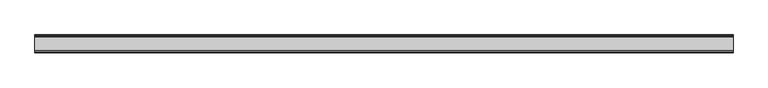
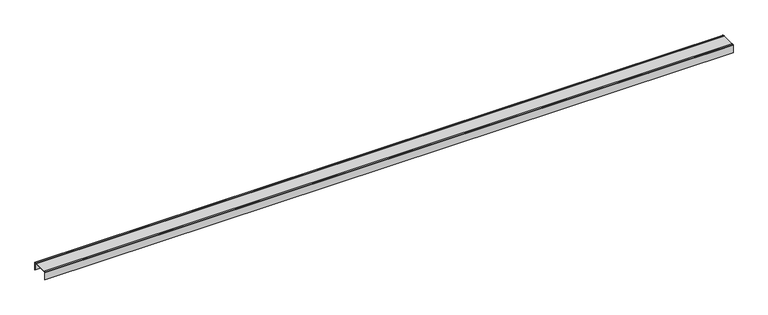
"""IFC4 building model written with IfcOpenShell, lengths in millimetres: proxy geometry."""

from ifc_helpers import new_model, si_unit, point, frame, frame_2d, origin, place, context, project, spatial, polyline, circle_curve, trimmed, segment, composite_curve, outline, extrude, source, transform, mapped, element, save


def generic_models_b358a26d(model_context):
    return source(origin(), model_context, "Body", "SweptSolid", [
        extrude(outline(composite_curve([segment(polyline([(-37.25, -1.2), (-37.25, -35.0), (-38.05, -35.0), (-38.05, -1.2)]), True, "CONTINUOUS"), segment(trimmed(circle_curve(frame_2d((-36.75, -1.2)), 1.3), [point((-38.05, -1.2))], [point((-37.25, 0.0))], False, "CARTESIAN"), True, "CONTINUOUS"), segment(polyline([(-37.25, 0.0), (-29.8683346, 0.0), (-28.6683346, -0.8), (28.6683346, -0.8), (29.8683346, 0.0), (37.25, 0.0)]), True, "CONTINUOUS"), segment(trimmed(circle_curve(frame_2d((36.75, -1.2)), 1.3), [point((37.25, 0.0))], [point((38.05, -1.2))], False, "CARTESIAN"), True, "CONTINUOUS"), segment(polyline([(38.05, -1.2), (38.05, -35.0), (37.25, -35.0), (37.25, -1.2)]), True, "CONTINUOUS"), segment(trimmed(circle_curve(frame_2d((36.65, -1.2)), 0.6), [point((37.25, -1.2))], [point((36.65, -0.6))], True, "CARTESIAN"), True, "CONTINUOUS"), segment(polyline([(36.65, -0.6), (30.05, -0.6), (28.85, -1.4), (-28.85, -1.4), (-30.05, -0.6), (-36.65, -0.6)]), True, "CONTINUOUS"), segment(trimmed(circle_curve(frame_2d((-36.65, -1.2)), 0.6), [point((-36.65, -0.6))], [point((-37.25, -1.2))], True, "CARTESIAN"), True, "CONTINUOUS")], self_intersect=False)), frame((-1500.0, 0.0, 0.0), z_axis=(1.0, 0.0, 0.0), x_axis=(0.0, 1.0, 0.0)), (0.0, 0.0, 1.0), 3000.0),
    ])


if __name__ == "__main__":
    model = new_model("IFC4")
    model_context = context("Model", 3, world=origin())
    ifc_project = project(units=[si_unit("LENGTHUNIT", "METRE", prefix="MILLI")], contexts=[model_context])
    site = spatial("IfcSite", under=ifc_project)
    building = spatial("IfcBuilding", under=site)
    placement = place(None, origin())
    generic_models_shape = generic_models_b358a26d(model_context)
    element("IfcBuildingElementProxy", 1, Name="Generic Models", at=placement, inside=building, context=model_context, shape_type="MappedRepresentation", body=[
        mapped(generic_models_shape, transform((0.0, 0.0, 0.0), x_axis=(1.0, 0.0, 0.0), y_axis=(0.0, 1.0, 0.0), z_axis=(0.0, 0.0, 1.0))),
    ])
    save(model, "model.ifc")
